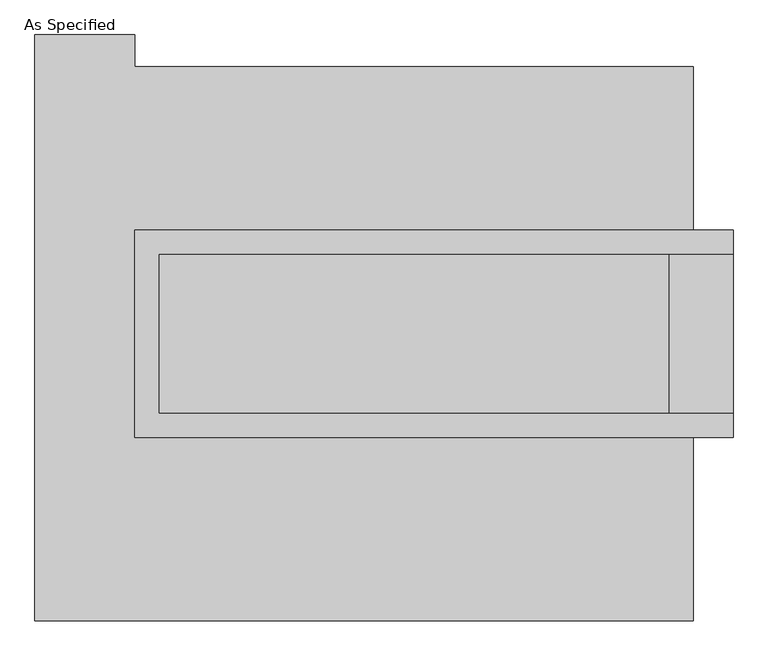
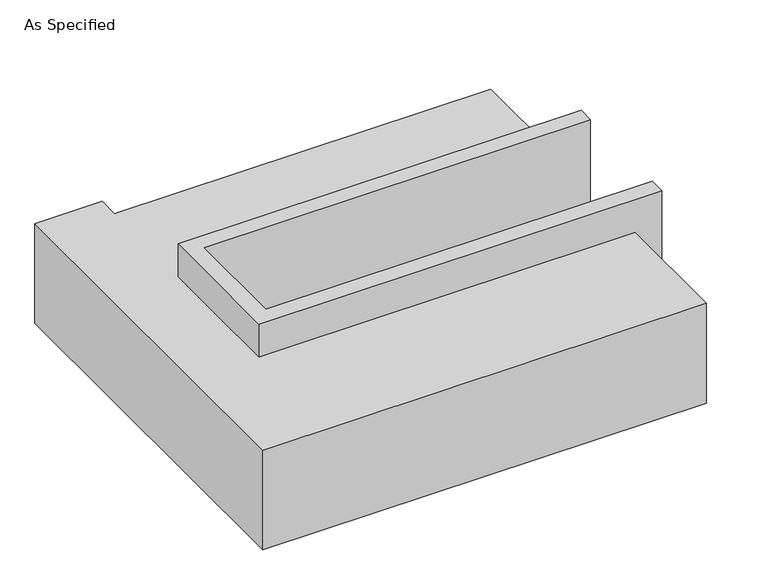
"""IFC4 building model written with IfcOpenShell, lengths in millimetres: proxy geometry, As Specified."""

from ifc_helpers import new_model, si_unit, origin, place, context, project, spatial, faceted_brep, source, transform, mapped, element, save


def as_specified_8c8a2ad3(model_context):
    return source(origin(), model_context, "Body", "Brep", [
        faceted_brep([(-806.45, 361.95, 139.7), (-806.45, 361.95, -393.7), (-806.45, 285.75, -393.7), (-806.45, 285.75, -25.4), (-806.45, -222.25, -25.4), (-806.45, -222.25, -393.7), (-806.45, -298.45, -393.7), (-806.45, -298.45, 139.7), (1098.55, 285.75, 139.7), (1098.55, 285.75, -317.5), (1098.55, -222.25, -317.5), (1098.55, -222.25, 139.7), (1098.55, -298.45, 139.7), (1098.55, -298.45, -393.7), (1098.55, 361.95, -393.7), (1098.55, 361.95, 139.7), (-730.25, -222.25, 139.7), (-730.25, 285.75, 139.7), (895.35, -222.25, -393.7), (895.35, 285.75, -393.7), (895.35, -222.25, -317.5), (-730.25, -222.25, -25.4), (895.35, 285.75, -317.5), (-730.25, 285.75, -25.4)], [[[0, 1, 2, 3, 4, 5, 6, 7]], [[8, 9, 10, 11, 12, 13, 14, 15]], [[0, 7, 12, 11, 16, 17, 8, 15]], [[1, 0, 15, 14]], [[14, 13, 6, 5, 18, 19, 2, 1]], [[7, 6, 13, 12]], [[11, 10, 20, 18, 5, 4, 21, 16]], [[10, 9, 22, 20]], [[9, 8, 17, 23, 3, 2, 19, 22]], [[18, 20, 22, 19]], [[23, 21, 4, 3]], [[17, 16, 21, 23]]]),
        faceted_brep([(971.55, -882.65, -523.9742188), (-1123.95, -882.65, -523.9742188), (-1123.95, 984.25, -523.9742188), (-806.45, 984.25, -523.9742188), (-806.45, 882.65, -523.9742188), (971.55, 882.65, -523.9742188), (-1123.95, -882.65, -25.4), (971.55, -882.65, -25.4), (971.55, -298.45, -25.4), (-806.45, -298.45, -25.4), (-806.45, 361.95, -25.4), (971.55, 361.95, -25.4), (971.55, 882.65, -25.4), (-806.45, 882.65, -25.4), (-806.45, 984.25, -25.4), (-1123.95, 984.25, -25.4), (971.55, 361.95, -393.7), (971.55, -298.45, -393.7), (-806.45, -298.45, -393.7), (-806.45, 361.95, -393.7)], [[[0, 1, 2, 3, 4, 5]], [[6, 7, 8, 9, 10, 11, 12, 13, 14, 15]], [[12, 5, 4, 13]], [[2, 1, 6, 15]], [[5, 12, 11, 16, 17, 8, 7, 0]], [[1, 0, 7, 6]], [[18, 19, 10, 9]], [[10, 19, 16, 11]], [[19, 18, 17, 16]], [[18, 9, 8, 17]], [[3, 2, 15, 14]], [[4, 3, 14, 13]]]),
    ])


if __name__ == "__main__":
    model = new_model("IFC4")
    model_context = context("Model", 3, world=origin())
    ifc_project = project(units=[si_unit("LENGTHUNIT", "METRE", prefix="MILLI")], contexts=[model_context])
    site = spatial("IfcSite", under=ifc_project)
    building = spatial("IfcBuilding", under=site)
    placement = place(None, origin())
    as_specified_shape = as_specified_8c8a2ad3(model_context)
    element("IfcBuildingElementProxy", 1, Name="As Specified", ObjectType="As Specified", at=placement, inside=building, context=model_context, shape_type="MappedRepresentation", body=[
        mapped(as_specified_shape, transform((0.0, 0.0, 0.0), x_axis=(1.0, 0.0, 0.0), y_axis=(0.0, 1.0, 0.0), z_axis=(0.0, 0.0, 1.0))),
    ])
    save(model, "model.ifc")
